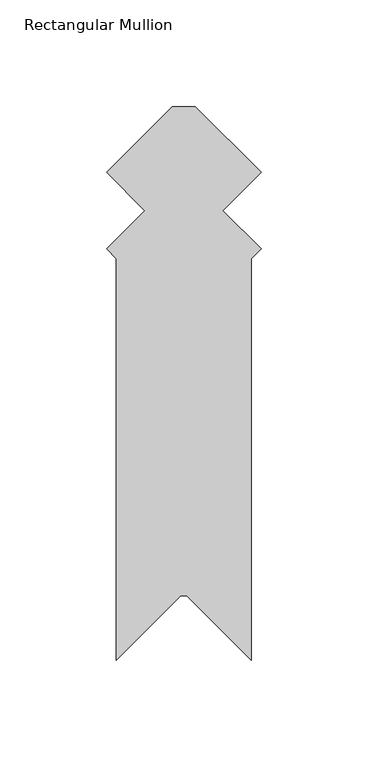
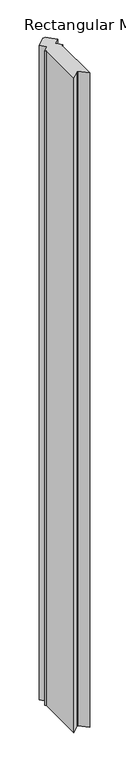
"""IFC4 building model written with IfcOpenShell, lengths in millimetres: member geometry, Rectangular Mullion."""

from ifc_helpers import new_model, si_unit, frame, origin, place, context, project, spatial, polyline, outline, extrude, source, transform, mapped, element, save


def rectangular_mullion_dcdb4020(model_context):
    return source(origin(), model_context, "Body", "SweptSolid", [
        extrude(outline(polyline([(-37.621722, -229.523144), (-67.9901297, -259.8915517), (-67.9901297, -71.3061645), (-72.4802534, -66.8160407), (-54.5197455, -48.8555328), (-72.4802576, -30.8950207), (-41.5852368, 0.0), (-30.8950222, 0.0), (0.0, -30.8950222), (-17.9605122, -48.8555344), (-5.9e-06, -66.8160407), (-4.4901297, -71.3061645), (-4.4901297, -259.8915515), (-34.8585372, -229.523144), (-37.621722, -229.523144)])), frame((0.0, 0.0, -2743.2), z_axis=(0.0, 0.0, 1.0), x_axis=(1.0, 0.0, 0.0)), (0.0, 0.0, 1.0), 2743.2),
    ])


if __name__ == "__main__":
    model = new_model("IFC4")
    model_context = context("Model", 3, world=origin())
    ifc_project = project(units=[si_unit("LENGTHUNIT", "METRE", prefix="MILLI")], contexts=[model_context])
    site = spatial("IfcSite", under=ifc_project)
    building = spatial("IfcBuilding", under=site)
    placement = place(None, origin())
    rectangular_mullion_shape = rectangular_mullion_dcdb4020(model_context)
    element("IfcMember", 1, ObjectType="Rectangular Mullion", at=placement, inside=building, context=model_context, shape_type="MappedRepresentation", body=[
        mapped(rectangular_mullion_shape, transform((0.0, 0.0, 0.0), x_axis=(1.0, 0.0, 0.0), y_axis=(0.0, 1.0, 0.0), z_axis=(0.0, 0.0, 1.0))),
    ])
    save(model, "model.ifc")
